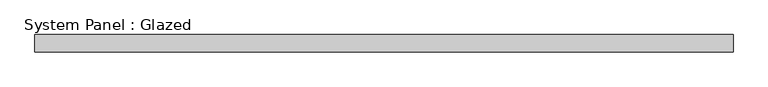
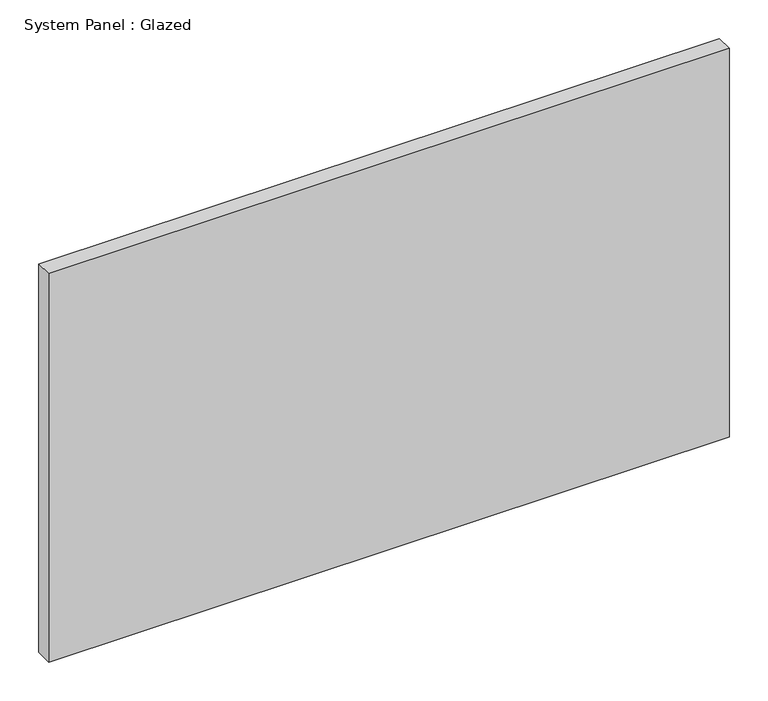
"""IFC4 building model written with IfcOpenShell, lengths in millimetres: plate geometry, System Panel : Glazed."""

from ifc_helpers import new_model, si_unit, origin, origin_with_axes, place, context, project, spatial, polyline, outline, extrude, source, transform, mapped, element, save


def system_panel_glazed_e8e78e14(model_context):
    return source(origin(), model_context, "Body", "SweptSolid", [
        extrude(outline(polyline([(508.0, -44.45), (-508.0, -44.45), (-508.0, -19.05), (508.0, -19.05), (508.0, -44.45)])), origin_with_axes(), (0.0, 0.0, 1.0), 613.5309524),
    ])


if __name__ == "__main__":
    model = new_model("IFC4")
    model_context = context("Model", 3, world=origin())
    ifc_project = project(units=[si_unit("LENGTHUNIT", "METRE", prefix="MILLI")], contexts=[model_context])
    site = spatial("IfcSite", under=ifc_project)
    building = spatial("IfcBuilding", under=site)
    placement = place(None, origin())
    system_panel_glazed_shape = system_panel_glazed_e8e78e14(model_context)
    element("IfcPlate", 1, ObjectType="System Panel : Glazed", at=placement, inside=building, context=model_context, shape_type="MappedRepresentation", body=[
        mapped(system_panel_glazed_shape, transform((0.0, 0.0, 0.0), x_axis=(1.0, 0.0, 0.0), y_axis=(0.0, 1.0, 0.0), z_axis=(0.0, 0.0, 1.0))),
    ])
    save(model, "model.ifc")
